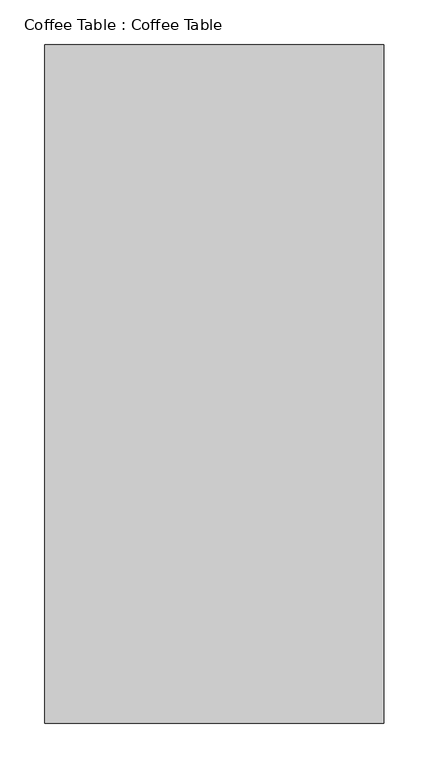
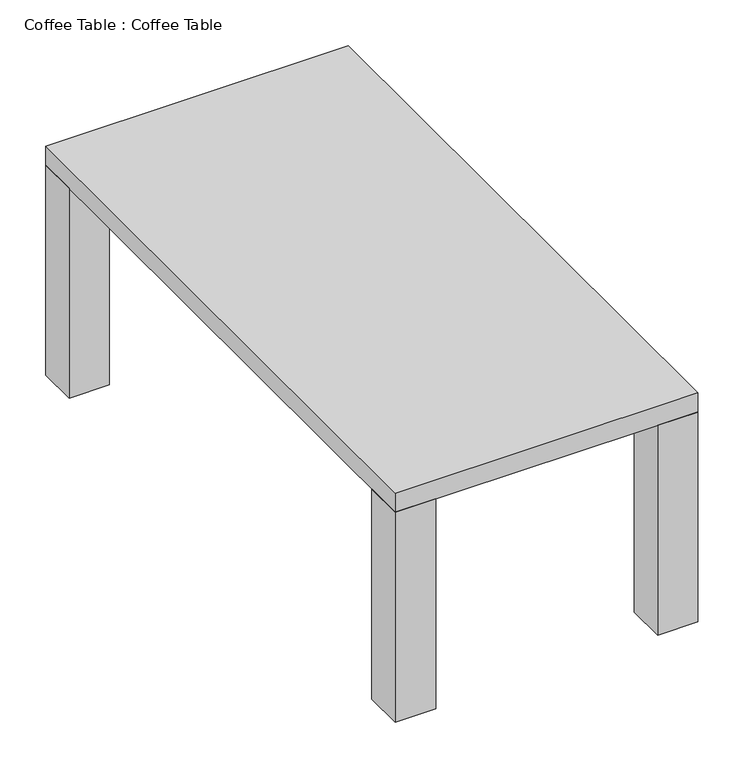
"""IFC4 building model written with IfcOpenShell, lengths in millimetres: furniture geometry, Coffee Table : Coffee Table."""

from ifc_helpers import new_model, si_unit, frame, origin, origin_with_axes, place, context, project, spatial, polyline, outline, extrude, source, transform, mapped, element, save


def coffee_table_coffee_table_c584355a(model_context):
    return source(origin(), model_context, "Body", "SweptSolid", [
        extrude(outline(polyline([(50.8, 711.2), (0.0, 711.2), (0.0, 762.0), (50.8, 762.0), (50.8, 711.2)])), origin_with_axes(), (0.0, 0.0, 1.0), 279.4),
        extrude(outline(polyline([(381.0, 711.2), (330.2, 711.2), (330.2, 762.0), (381.0, 762.0), (381.0, 711.2)])), origin_with_axes(), (0.0, 0.0, 1.0), 279.4),
        extrude(outline(polyline([(381.0, 0.0), (330.2, 0.0), (330.2, 50.8), (381.0, 50.8), (381.0, 0.0)])), origin_with_axes(), (0.0, 0.0, 1.0), 279.4),
        extrude(outline(polyline([(50.8, 0.0), (0.0, 0.0), (0.0, 50.8), (50.8, 50.8), (50.8, 0.0)])), origin_with_axes(), (0.0, 0.0, 1.0), 279.4),
        extrude(outline(polyline([(381.0, 0.0), (0.0, 0.0), (0.0, 762.0), (381.0, 762.0), (381.0, 0.0)])), frame((0.0, 0.0, 279.4), z_axis=(0.0, 0.0, 1.0), x_axis=(1.0, 0.0, 0.0)), (0.0, 0.0, 1.0), 25.4),
    ])


if __name__ == "__main__":
    model = new_model("IFC4")
    model_context = context("Model", 3, world=origin())
    ifc_project = project(units=[si_unit("LENGTHUNIT", "METRE", prefix="MILLI")], contexts=[model_context])
    site = spatial("IfcSite", under=ifc_project)
    building = spatial("IfcBuilding", under=site)
    placement = place(None, origin())
    coffee_table_coffee_table_shape = coffee_table_coffee_table_c584355a(model_context)
    element("IfcFurniture", 1, ObjectType="Coffee Table : Coffee Table", at=placement, inside=building, context=model_context, shape_type="MappedRepresentation", body=[
        mapped(coffee_table_coffee_table_shape, transform((0.0, 0.0, 0.0), x_axis=(1.0, 0.0, 0.0), y_axis=(0.0, 1.0, 0.0), z_axis=(0.0, 0.0, 1.0))),
    ])
    save(model, "model.ifc")
